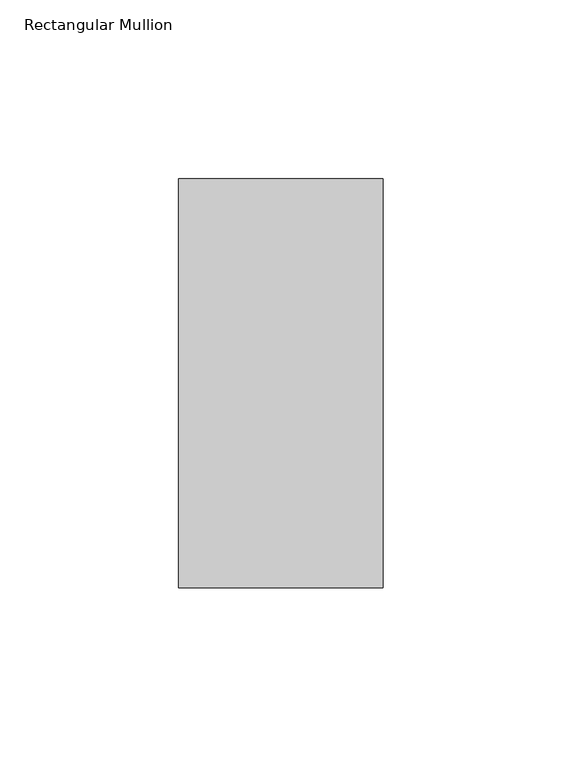
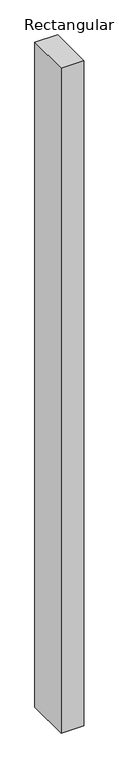
"""IFC4 building model written with IfcOpenShell, lengths in millimetres: member geometry, Rectangular Mullion."""

from ifc_helpers import new_model, si_unit, frame, origin, place, context, project, spatial, polyline, outline, extrude, source, transform, mapped, element, save


def rectangular_mullion_c274871c(model_context):
    return source(origin(), model_context, "Body", "SweptSolid", [
        extrude(outline(polyline([(-57.15, -57.15), (-57.15, 57.15), (0.0, 57.15), (0.0, -57.15), (-57.15, -57.15)])), frame((0.0, 0.0, -1771.65), z_axis=(0.0, 0.0, 1.0), x_axis=(1.0, 0.0, 0.0)), (0.0, 0.0, 1.0), 1771.65),
    ])


if __name__ == "__main__":
    model = new_model("IFC4")
    model_context = context("Model", 3, world=origin())
    ifc_project = project(units=[si_unit("LENGTHUNIT", "METRE", prefix="MILLI")], contexts=[model_context])
    site = spatial("IfcSite", under=ifc_project)
    building = spatial("IfcBuilding", under=site)
    placement = place(None, origin())
    rectangular_mullion_shape = rectangular_mullion_c274871c(model_context)
    element("IfcMember", 1, ObjectType="Rectangular Mullion", at=placement, inside=building, context=model_context, shape_type="MappedRepresentation", body=[
        mapped(rectangular_mullion_shape, transform((0.0, 0.0, 0.0), x_axis=(1.0, 0.0, 0.0), y_axis=(0.0, 1.0, 0.0), z_axis=(0.0, 0.0, 1.0))),
    ])
    save(model, "model.ifc")
